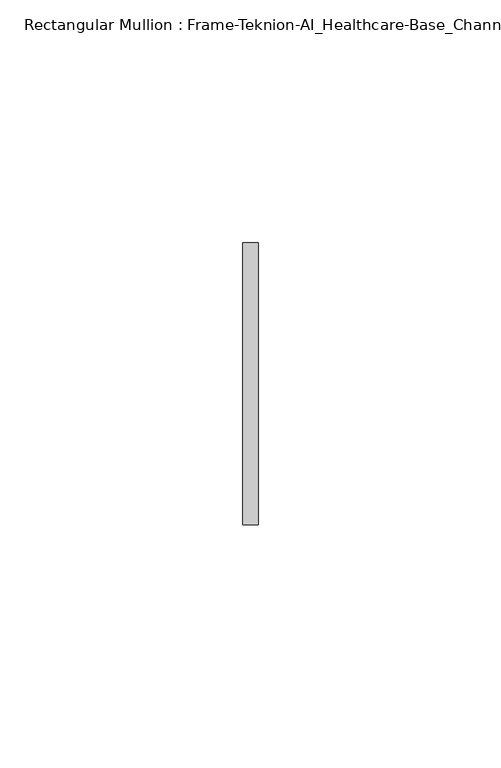
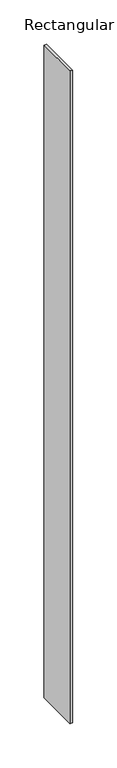
"""IFC4 building model written with IfcOpenShell, lengths in millimetres: member geometry, Rectangular Mullion : Frame-Teknion-AI_Healthcare-Base_Channel."""

from ifc_helpers import new_model, si_unit, frame, origin, place, context, project, spatial, polyline, outline, extrude, source, transform, mapped, element, save


def rectangular_mullion_frame_teknion_ai_healthcare_base_channel_ea2b8cd2(model_context):
    return source(origin(), model_context, "Body", "SweptSolid", [
        extrude(outline(polyline([(0.0, 29.0214844), (0.0, -29.0214844), (-3.175, -29.0214844), (-3.175, 29.0214844), (0.0, 29.0214844)])), frame((0.0, 0.0, -895.35), z_axis=(0.0, 0.0, 1.0), x_axis=(1.0, 0.0, 0.0)), (0.0, 0.0, 1.0), 895.35),
    ])


if __name__ == "__main__":
    model = new_model("IFC4")
    model_context = context("Model", 3, world=origin())
    ifc_project = project(units=[si_unit("LENGTHUNIT", "METRE", prefix="MILLI")], contexts=[model_context])
    site = spatial("IfcSite", under=ifc_project)
    building = spatial("IfcBuilding", under=site)
    placement = place(None, origin())
    rectangular_mullion_frame_teknion_ai_healthcare_base_channel_shape = rectangular_mullion_frame_teknion_ai_healthcare_base_channel_ea2b8cd2(model_context)
    element("IfcMember", 1, ObjectType="Rectangular Mullion : Frame-Teknion-AI_Healthcare-Base_Channel", at=placement, inside=building, context=model_context, shape_type="MappedRepresentation", body=[
        mapped(rectangular_mullion_frame_teknion_ai_healthcare_base_channel_shape, transform((0.0, 0.0, 0.0), x_axis=(1.0, 0.0, 0.0), y_axis=(0.0, 1.0, 0.0), z_axis=(0.0, 0.0, 1.0))),
    ])
    save(model, "model.ifc")
